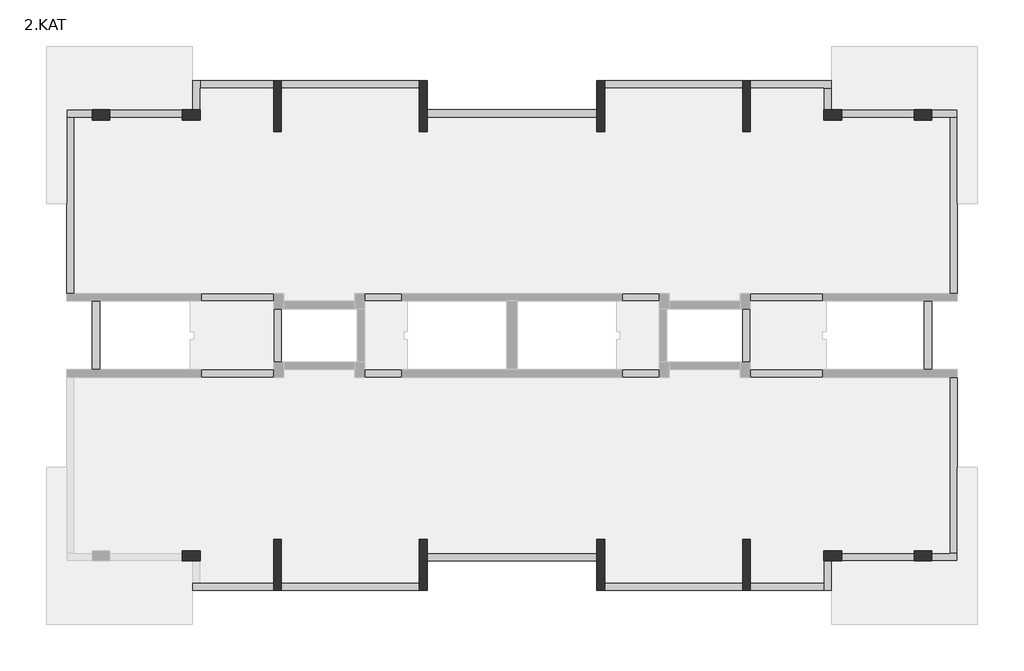
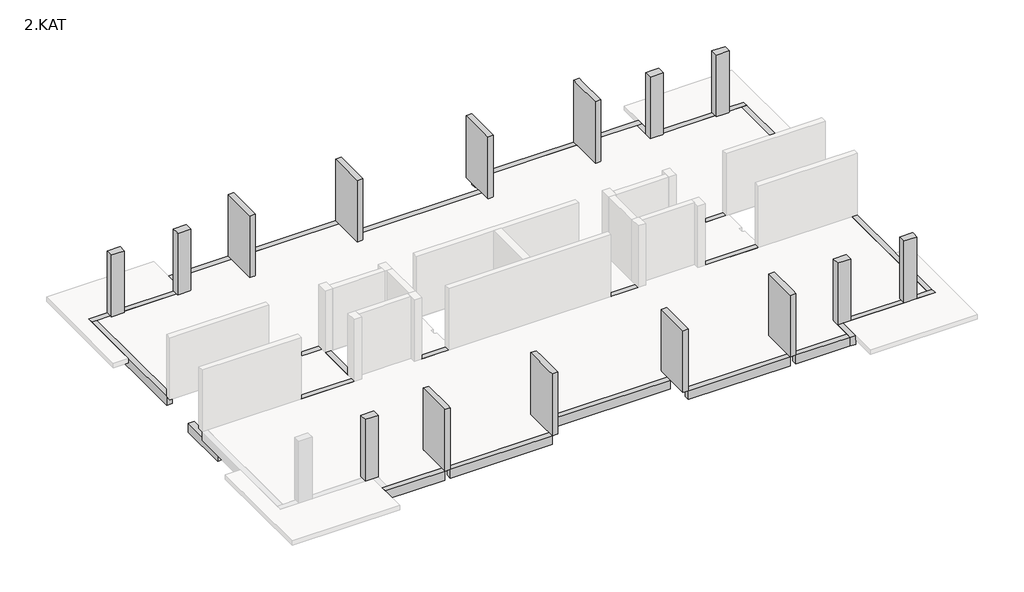
# One storey, part 2 of 2: 34 beams, 15 columns.
"""IFC4 building model written with IfcOpenShell, lengths in millimetres."""

from ifc_helpers import new_model, si_unit, frame, origin, place, context, project, spatial, polyline, outline, extrude, faceted_brep, element, save

model = new_model("IFC4")

# Units and contexts
model_context = context("Model", 3, world=origin())
ifc_project = project(units=[si_unit("LENGTHUNIT", "METRE", prefix="MILLI")], contexts=[model_context])

# Site, building, storey
site = spatial("IfcSite", under=ifc_project)
building = spatial("IfcBuilding", under=site)
storey = spatial("IfcBuildingStorey", under=building, Name="2.KAT", Elevation=6500.0)

# Beams
placement = place(None, origin())
element("IfcBeam", 1, ObjectType="0300x0500mm", at=placement, inside=storey, context=model_context, shape_type="SweptSolid", body=[
    extrude(outline(polyline([(-3363.9153603, 12013.7202154), (-3363.9153603, 11713.7202154), (-8813.9168166, 11713.7202154), (-8813.9168166, 12013.7202154), (-3363.9153603, 12013.7202154)])), frame((0.0, 0.0, 6000.0), z_axis=(0.0, 0.0, 1.0), x_axis=(1.0, 0.0, 0.0)), (0.0, 0.0, 1.0), 500.0),
])
element("IfcBeam", 2, ObjectType="0300x0500mm", at=placement, inside=storey, context=model_context, shape_type="Brep", body=[
    faceted_brep([(3636.085408, 10863.7380253, 6500.0), (-3063.9160613, 10863.7380253, 6500.0), (-3063.9160613, 10563.7380253, 6500.0), (3636.085408, 10563.7380253, 6500.0), (-3063.9160613, 10563.7380253, 6250.0), (-3063.9160613, 10563.7380253, 6000.0), (3636.085408, 10563.7380253, 6000.0), (3636.085408, 10563.7380253, 6250.0), (-3063.9160613, 10863.7380253, 6000.0), (3636.085408, 10863.7380253, 6000.0)], [[[0, 1, 2, 3]], [[3, 2, 4, 5, 6, 7]], [[6, 5, 8, 9]], [[1, 0, 9, 8]], [[1, 8, 5, 4, 2]], [[0, 3, 7, 6, 9]]]),
])
element("IfcBeam", 3, ObjectType="0300x0500mm", at=placement, inside=storey, context=model_context, shape_type="SweptSolid", body=[
    extrude(outline(polyline([(9386.0205348, 12013.7202154), (9386.0205348, 11713.7202154), (3936.0190785, 11713.7202154), (3936.0190785, 12013.7202154), (9386.0205348, 12013.7202154)])), frame((0.0, 0.0, 6000.0), z_axis=(0.0, 0.0, 1.0), x_axis=(1.0, 0.0, 0.0)), (0.0, 0.0, 1.0), 500.0),
])
element("IfcBeam", 4, ObjectType="0300x0500mm", at=placement, inside=storey, context=model_context, shape_type="Brep", body=[
    faceted_brep([(9686.0846432, 12013.7202154, 6500.0), (9686.0846432, 11713.7202154, 6500.0), (12586.0195429, 11713.7202154, 6500.0), (12886.0195429, 11713.7202154, 6500.0), (12886.0195429, 12013.7202154, 6500.0), (9686.0846432, 11713.7202154, 6000.0), (12586.0195429, 11713.7202154, 6000.0), (12886.0195429, 11713.7202154, 6000.0), (9686.0846432, 12013.7202154, 6000.0), (12886.0195429, 12013.7202154, 6000.0)], [[[0, 1, 2, 3, 4]], [[1, 5, 6, 7, 3, 2]], [[5, 8, 9, 7, 6]], [[8, 0, 4, 9]], [[4, 3, 7, 9]], [[0, 8, 5, 1]]]),
])
element("IfcBeam", 5, ObjectType="0300x0500mm", at=placement, inside=storey, context=model_context, shape_type="Brep", body=[
    faceted_brep([(12886.0195429, 10863.734431, 6500.0), (12886.0195429, 11713.7202154, 6500.0), (12586.0195429, 11713.7202154, 6500.0), (12586.0195429, 10863.734431, 6500.0), (12586.0195429, 11713.7202154, 6250.0), (12586.0195429, 11713.7202154, 6000.0), (12586.0195429, 10863.734431, 6000.0), (12586.0195429, 10863.734431, 6250.0), (12886.0195429, 11713.7202154, 6000.0), (12886.0195429, 10863.734431, 6000.0)], [[[0, 1, 2, 3]], [[3, 2, 4, 5, 6, 7]], [[6, 5, 8, 9]], [[1, 0, 9, 8]], [[2, 1, 8, 5, 4]], [[0, 3, 7, 6, 9]]]),
])
element("IfcBeam", 6, ObjectType="0300x0500mm", at=placement, inside=storey, context=model_context, shape_type="Brep", body=[
    faceted_brep([(16136.0518591, 10863.7341752, 6500.0), (13286.0518591, 10863.7341752, 6500.0), (13286.0518591, 10563.7341752, 6500.0), (16136.0518591, 10563.7341752, 6500.0), (13286.0518591, 10563.7341752, 6250.0), (13286.0518591, 10563.7341752, 6000.0), (16136.0518591, 10563.7341752, 6000.0), (16136.0518591, 10563.7341752, 6250.0), (13286.0518591, 10863.7341752, 6000.0), (16136.0518591, 10863.7341752, 6000.0), (16136.0518591, 10863.7341752, 6250.0), (13286.0518591, 10863.7341752, 6250.0)], [[[0, 1, 2, 3]], [[3, 2, 4, 5, 6, 7]], [[6, 5, 8, 9]], [[1, 0, 10, 9, 8, 11]], [[0, 3, 7, 6, 9, 10]], [[8, 5, 4, 2, 1, 11]]]),
])
element("IfcBeam", 7, ObjectType="0300x0500mm", at=placement, inside=storey, context=model_context, shape_type="Brep", body=[
    faceted_brep([(17836.0513856, 10863.7341752, 6500.0), (16836.0513856, 10863.7341752, 6500.0), (16836.0513856, 10563.7341752, 6500.0), (17536.0197797, 10563.7341752, 6500.0), (17836.0513856, 10563.7341752, 6500.0), (16836.0513856, 10563.7341752, 6000.0), (17536.0513856, 10563.7341752, 6000.0), (17836.0513856, 10563.7341752, 6000.0), (17836.0513856, 10563.7341752, 6250.0), (16836.0513856, 10563.7341752, 6250.0), (16836.0513856, 10863.7341752, 6000.0), (17836.0513856, 10863.7341752, 6000.0), (17836.0513856, 10863.7341752, 6250.0), (16836.0513856, 10863.7341752, 6250.0)], [[[0, 1, 2, 3, 4]], [[5, 6, 7, 8, 4, 3, 2, 9]], [[7, 6, 5, 10, 11]], [[1, 0, 12, 11, 10, 13]], [[0, 4, 8, 7, 11, 12]], [[10, 5, 9, 2, 1, 13]]]),
])
element("IfcBeam", 8, ObjectType="0300x0500mm", at=placement, inside=storey, context=model_context, shape_type="Brep", body=[
    faceted_brep([(17836.0513856, 3613.7341795, 6500.0), (17536.0513856, 3613.7341795, 6500.0), (17536.0513856, 3613.7341795, 6000.0), (17836.0513856, 3613.7341795, 6000.0), (17836.0513856, 7163.7341979, 6500.0), (17836.0513856, 10563.7341752, 6500.0), (17536.0513856, 10563.7341752, 6500.0), (17536.0513856, 10563.7341752, 6000.0), (17836.0513856, 10563.7341752, 6000.0), (17836.0513856, 10563.7341752, 6250.0)], [[[0, 1, 2, 3]], [[1, 0, 4, 5, 6]], [[2, 1, 6, 7]], [[3, 2, 7, 8]], [[0, 3, 8, 9, 5, 4]], [[6, 5, 9, 8, 7]]]),
])
element("IfcBeam", 9, ObjectType="0300x0500mm", at=placement, inside=storey, context=model_context, shape_type="SweptSolid", body=[
    extrude(outline(polyline([(16836.0513856, 613.7342048), (16536.0513856, 613.7342048), (16536.0513856, 3313.7341837), (16836.0513856, 3313.7341837), (16836.0513856, 613.7342048)])), frame((0.0, 0.0, 4300.0), z_axis=(0.0, 0.0, 1.0), x_axis=(1.0, 0.0, 0.0)), (0.0, 0.0, 1.0), 500.0),
])
element("IfcBeam", 10, ObjectType="0300x0500mm", at=placement, inside=storey, context=model_context, shape_type="Brep", body=[
    faceted_brep([(16836.0222612, -6636.2658004, 6500.0), (16836.0222612, -6936.2658004, 6500.0), (17836.0513856, -6936.2658004, 6500.0), (17836.0513856, -6636.2658004, 6500.0), (17536.0197797, -6636.2658004, 6500.0), (16836.0222612, -6636.2658004, 6000.0), (16836.0222612, -6636.2658004, 6250.0), (17836.0513856, -6636.2658004, 6250.0), (17836.0513856, -6636.2658004, 6000.0), (17536.0513856, -6636.2658004, 6000.0), (16836.0222612, -6936.2658004, 6000.0), (17836.0513856, -6936.2658004, 6000.0), (16836.0222612, -6936.2658004, 6250.0), (17836.0513856, -6936.2658004, 6250.0)], [[[0, 1, 2, 3, 4]], [[5, 6, 0, 4, 3, 7, 8, 9]], [[10, 5, 9, 8, 11]], [[2, 1, 12, 10, 11, 13]], [[1, 0, 6, 5, 10, 12]], [[3, 2, 13, 11, 8, 7]]]),
])
element("IfcBeam", 11, ObjectType="0300x0500mm", at=placement, inside=storey, context=model_context, shape_type="Brep", body=[
    faceted_brep([(13286.0518591, -6936.2658004, 6500.0), (16136.0518591, -6936.2658004, 6500.0), (16136.0518591, -6636.2658004, 6500.0), (13286.0518591, -6636.2658004, 6500.0), (16136.0518591, -6636.2658004, 6250.0), (16136.0518591, -6636.2658004, 6000.0), (13286.0518591, -6636.2658004, 6000.0), (13286.0518591, -6636.2658004, 6250.0), (16136.0518591, -6936.2658004, 6000.0), (13286.0518591, -6936.2658004, 6000.0), (13286.0518591, -6936.2658004, 6250.0), (16136.0518591, -6936.2658004, 6250.0)], [[[0, 1, 2, 3]], [[3, 2, 4, 5, 6, 7]], [[6, 5, 8, 9]], [[1, 0, 10, 9, 8, 11]], [[0, 3, 7, 6, 9, 10]], [[8, 5, 4, 2, 1, 11]]]),
])
element("IfcBeam", 12, ObjectType="0300x0500mm", at=placement, inside=storey, context=model_context, shape_type="Brep", body=[
    faceted_brep([(12886.0195429, -8086.2529125, 6500.0), (12886.0195429, -6936.2657952, 6500.0), (12586.0195429, -6936.2657952, 6500.0), (12586.0195429, -7786.2657952, 6500.0), (12586.0195429, -8086.2529125, 6500.0), (12586.0195429, -6936.2657952, 6000.0), (12586.0195429, -7786.2529125, 6000.0), (12586.0195429, -8086.2529125, 6000.0), (12586.0195429, -6936.2657952, 6250.0), (12886.0195429, -6936.2657952, 6000.0), (12886.0195429, -8086.2529125, 6000.0)], [[[0, 1, 2, 3, 4]], [[5, 6, 7, 4, 3, 2, 8]], [[7, 6, 5, 9, 10]], [[1, 0, 10, 9]], [[0, 4, 7, 10]], [[1, 9, 5, 8, 2]]]),
])
element("IfcBeam", 13, ObjectType="0300x0500mm", at=placement, inside=storey, context=model_context, shape_type="SweptSolid", body=[
    extrude(outline(polyline([(9686.0196057, -8086.2529125), (9686.0196057, -7786.2529125), (12586.0195429, -7786.2529125), (12586.0195429, -8086.2529125), (9686.0196057, -8086.2529125)])), frame((0.0, 0.0, 6000.0), z_axis=(0.0, 0.0, 1.0), x_axis=(1.0, 0.0, 0.0)), (0.0, 0.0, 1.0), 500.0),
])
element("IfcBeam", 14, ObjectType="0300x0500mm", at=placement, inside=storey, context=model_context, shape_type="Brep", body=[
    faceted_brep([(3936.0846397, -7786.2529125, 6500.0), (3936.0846397, -8086.2529125, 6500.0), (9386.0846432, -8086.2529125, 6500.0), (9386.0846432, -7786.2529125, 6500.0), (3936.0846397, -7786.2529125, 6000.0), (3936.0846397, -7786.2529125, 6250.0), (9386.0846432, -7786.2529125, 6000.0), (3936.0846397, -8086.2529125, 6000.0), (9386.0846432, -8086.2529125, 6000.0)], [[[0, 1, 2, 3]], [[4, 5, 0, 3, 6]], [[7, 4, 6, 8]], [[1, 7, 8, 2]], [[2, 8, 6, 3]], [[1, 0, 5, 4, 7]]]),
])
element("IfcBeam", 15, ObjectType="0300x0500mm", at=placement, inside=storey, context=model_context, shape_type="Brep", body=[
    faceted_brep([(-3063.9160613, -6936.2657952, 6500.0), (3636.085408, -6936.2657952, 6500.0), (3636.085408, -6636.2657952, 6500.0), (-3063.9160613, -6636.2657952, 6500.0), (3636.085408, -6636.2657952, 6250.0), (3636.085408, -6636.2657952, 6000.0), (-3063.9160613, -6636.2657952, 6000.0), (-3063.9160613, -6636.2657952, 6250.0), (3636.085408, -6936.2657952, 6000.0), (-3063.9160613, -6936.2657952, 6000.0)], [[[0, 1, 2, 3]], [[3, 2, 4, 5, 6, 7]], [[6, 5, 8, 9]], [[1, 0, 9, 8]], [[0, 3, 7, 6, 9]], [[1, 8, 5, 4, 2]]]),
])
element("IfcBeam", 16, ObjectType="0300x0500mm", at=placement, inside=storey, context=model_context, shape_type="SweptSolid", body=[
    extrude(outline(polyline([(-8813.9160482, -8086.2657952), (-8813.9160482, -7786.2657952), (-3363.9145919, -7786.2657952), (-3363.9145919, -8086.2657952), (-8813.9160482, -8086.2657952)])), frame((0.0, 0.0, 6000.0), z_axis=(0.0, 0.0, 1.0), x_axis=(1.0, 0.0, 0.0)), (0.0, 0.0, 1.0), 500.0),
])
element("IfcBeam", 17, ObjectType="0300x0500mm", at=placement, inside=storey, context=model_context, shape_type="Brep", body=[
    faceted_brep([(-9113.9486144, -8086.2657952, 6500.0), (-9113.9486144, -7786.2657952, 6500.0), (-12013.9158247, -7786.2657952, 6500.0), (-12313.9158247, -7786.2657952, 6500.0), (-12313.9158247, -8086.2657952, 6500.0), (-9113.9486144, -7786.2657952, 6250.0), (-9113.9486144, -7786.2657952, 6000.0), (-12013.9158247, -7786.2657952, 6000.0), (-12313.9158247, -7786.2657952, 6000.0), (-9113.9486144, -8086.2657952, 6000.0), (-12313.9158247, -8086.2657952, 6000.0)], [[[0, 1, 2, 3, 4]], [[1, 5, 6, 7, 8, 3, 2]], [[6, 9, 10, 8, 7]], [[9, 0, 4, 10]], [[4, 3, 8, 10]], [[0, 9, 6, 5, 1]]]),
])
element("IfcBeam", 18, ObjectType="0300x0500mm", at=placement, inside=storey, context=model_context, shape_type="SweptSolid", body=[
    extrude(outline(polyline([(-16263.9481409, 3313.7341847), (-15963.9481409, 3313.7341847), (-15963.9481409, 613.7341847), (-16263.9481409, 613.7341847), (-16263.9481409, 3313.7341847)])), frame((0.0, 0.0, 4300.0), z_axis=(0.0, 0.0, 1.0), x_axis=(1.0, 0.0, 0.0)), (0.0, 0.0, 1.0), 500.0),
])
element("IfcBeam", 19, ObjectType="0300x0500mm", at=placement, inside=storey, context=model_context, shape_type="Brep", body=[
    faceted_brep([(-16263.9143553, 10563.7341837, 6500.0), (-16263.9143553, 10863.7341837, 6500.0), (-17263.9481409, 10863.7341837, 6500.0), (-17263.9481409, 10563.7341837, 6500.0), (-16963.9481409, 10563.7341837, 6500.0), (-16263.9143553, 10863.7341837, 6250.0), (-16263.9143553, 10863.7341837, 6000.0), (-17263.9481409, 10863.7341837, 6000.0), (-17263.9481409, 10863.7341837, 6250.0), (-16263.9143553, 10563.7341837, 6000.0), (-16963.9481409, 10563.7341837, 6000.0), (-17263.9481409, 10563.7341837, 6000.0), (-16263.9143553, 10563.7341837, 6250.0), (-17263.9481409, 10563.7341837, 6250.0)], [[[0, 1, 2, 3, 4]], [[2, 1, 5, 6, 7, 8]], [[6, 9, 10, 11, 7]], [[9, 12, 0, 4, 3, 13, 11, 10]], [[9, 6, 5, 1, 0, 12]], [[3, 2, 8, 7, 11, 13]]]),
])
element("IfcBeam", 20, ObjectType="0300x0500mm", at=placement, inside=storey, context=model_context, shape_type="Brep", body=[
    faceted_brep([(-12713.9143553, 10863.7341752, 6500.0), (-15563.9158246, 10863.7341752, 6500.0), (-15563.9158246, 10563.7341752, 6500.0), (-12713.9143553, 10563.7341752, 6500.0), (-15563.9158246, 10563.7341752, 6250.0), (-15563.9158246, 10563.7341752, 6000.0), (-12713.9143553, 10563.7341752, 6000.0), (-12713.9143553, 10563.7341752, 6250.0), (-15563.9158246, 10863.7341752, 6000.0), (-12713.9143553, 10863.7341752, 6000.0), (-12713.9143553, 10863.7341752, 6250.0), (-15563.9158246, 10863.7341752, 6250.0)], [[[0, 1, 2, 3]], [[3, 2, 4, 5, 6, 7]], [[6, 5, 8, 9]], [[1, 0, 10, 9, 8, 11]], [[0, 3, 7, 6, 9, 10]], [[8, 5, 4, 2, 1, 11]]]),
])
element("IfcBeam", 21, ObjectType="0300x0500mm", at=placement, inside=storey, context=model_context, shape_type="Brep", body=[
    faceted_brep([(-12313.9158247, 10863.7341752, 6500.0), (-12013.9158247, 10863.7341752, 6500.0), (-12013.9158247, 11713.7202154, 6500.0), (-12013.9158247, 12013.7202154, 6500.0), (-12313.9158247, 12013.7202154, 6500.0), (-12013.9158247, 10863.7341752, 6000.0), (-12013.9158247, 11713.7202154, 6000.0), (-12013.9158247, 12013.7202154, 6000.0), (-12013.9158247, 10863.7341752, 6250.0), (-12313.9158247, 10863.7341752, 6000.0), (-12313.9158247, 12013.7202154, 6000.0)], [[[0, 1, 2, 3, 4]], [[5, 6, 7, 3, 2, 1, 8]], [[5, 9, 10, 7, 6]], [[9, 0, 4, 10]], [[0, 9, 5, 8, 1]], [[4, 3, 7, 10]]]),
])
element("IfcBeam", 22, ObjectType="0300x0500mm", at=placement, inside=storey, context=model_context, shape_type="SweptSolid", body=[
    extrude(outline(polyline([(-9114.4483776, 3613.7341847), (-9114.4483776, 3313.7341847), (-11963.4483776, 3313.7341847), (-11963.4483776, 3613.7341847), (-9114.4483776, 3613.7341847)])), frame((0.0, 0.0, 6000.0), z_axis=(0.0, 0.0, 1.0), x_axis=(1.0, 0.0, 0.0)), (0.0, 0.0, 1.0), 500.0),
])
element("IfcBeam", 23, ObjectType="0300x0500mm", at=placement, inside=storey, context=model_context, shape_type="SweptSolid", body=[
    extrude(outline(polyline([(-9114.4483776, 613.7341847), (-9114.4483776, 313.7341847), (-11963.4483776, 313.7341847), (-11963.4483776, 613.7341847), (-9114.4483776, 613.7341847)])), frame((0.0, 0.0, 6000.0), z_axis=(0.0, 0.0, 1.0), x_axis=(1.0, 0.0, 0.0)), (0.0, 0.0, 1.0), 500.0),
])
element("IfcBeam", 24, ObjectType="0300x0500mm", at=placement, inside=storey, context=model_context, shape_type="SweptSolid", body=[
    extrude(outline(polyline([(-8813.9486144, 913.7387772), (-9113.9486144, 913.7387772), (-9113.9486144, 3013.7387772), (-8813.9486144, 3013.7387772), (-8813.9486144, 913.7387772)])), frame((0.0, 0.0, 6000.0), z_axis=(0.0, 0.0, 1.0), x_axis=(1.0, 0.0, 0.0)), (0.0, 0.0, 1.0), 500.0),
])
element("IfcBeam", 25, ObjectType="0300x0500mm", at=placement, inside=storey, context=model_context, shape_type="SweptSolid", body=[
    extrude(outline(polyline([(-5513.9486144, 3313.7352433), (-5513.9486144, 3613.7352433), (-4064.9486144, 3613.7352433), (-4064.9486144, 3313.7352433), (-5513.9486144, 3313.7352433)])), frame((0.0, 0.0, 6000.0), z_axis=(0.0, 0.0, 1.0), x_axis=(1.0, 0.0, 0.0)), (0.0, 0.0, 1.0), 500.0),
])
element("IfcBeam", 26, ObjectType="0300x0500mm", at=placement, inside=storey, context=model_context, shape_type="SweptSolid", body=[
    extrude(outline(polyline([(-5513.9486144, 313.7381043), (-5513.9486144, 613.7381043), (-4064.9486144, 613.7381043), (-4064.9486144, 313.7381043), (-5513.9486144, 313.7381043)])), frame((0.0, 0.0, 6000.0), z_axis=(0.0, 0.0, 1.0), x_axis=(1.0, 0.0, 0.0)), (0.0, 0.0, 1.0), 500.0),
])
element("IfcBeam", 27, ObjectType="0300x0500mm", at=placement, inside=storey, context=model_context, shape_type="SweptSolid", body=[
    extrude(outline(polyline([(6085.5514079, 3613.7352433), (6085.5514079, 3313.7352433), (4636.5514079, 3313.7352433), (4636.5514079, 3613.7352433), (6085.5514079, 3613.7352433)])), frame((0.0, 0.0, 6000.0), z_axis=(0.0, 0.0, 1.0), x_axis=(1.0, 0.0, 0.0)), (0.0, 0.0, 1.0), 500.0),
])
element("IfcBeam", 28, ObjectType="0300x0500mm", at=placement, inside=storey, context=model_context, shape_type="SweptSolid", body=[
    extrude(outline(polyline([(6085.5514079, 613.7381043), (6085.5514079, 313.7381043), (4636.5514079, 313.7381043), (4636.5514079, 613.7381043), (6085.5514079, 613.7381043)])), frame((0.0, 0.0, 6000.0), z_axis=(0.0, 0.0, 1.0), x_axis=(1.0, 0.0, 0.0)), (0.0, 0.0, 1.0), 500.0),
])
element("IfcBeam", 29, ObjectType="0300x0500mm", at=placement, inside=storey, context=model_context, shape_type="SweptSolid", body=[
    extrude(outline(polyline([(9686.0680129, 313.7341847), (9686.0680129, 613.7341847), (12536.0680129, 613.7341847), (12536.0680129, 313.7341847), (9686.0680129, 313.7341847)])), frame((0.0, 0.0, 6000.0), z_axis=(0.0, 0.0, 1.0), x_axis=(1.0, 0.0, 0.0)), (0.0, 0.0, 1.0), 500.0),
])
element("IfcBeam", 30, ObjectType="0300x0500mm", at=placement, inside=storey, context=model_context, shape_type="SweptSolid", body=[
    extrude(outline(polyline([(9686.0513856, 3313.7341847), (9686.0513856, 3613.7341847), (12536.0513856, 3613.7341847), (12536.0513856, 3313.7341847), (9686.0513856, 3313.7341847)])), frame((0.0, 0.0, 6000.0), z_axis=(0.0, 0.0, 1.0), x_axis=(1.0, 0.0, 0.0)), (0.0, 0.0, 1.0), 500.0),
])
element("IfcBeam", 31, ObjectType="0300x0500mm", at=placement, inside=storey, context=model_context, shape_type="SweptSolid", body=[
    extrude(outline(polyline([(9686.0513856, 914.2298782), (9386.0513856, 914.2298782), (9386.0513856, 3013.2298782), (9686.0513856, 3013.2298782), (9686.0513856, 914.2298782)])), frame((0.0, 0.0, 6000.0), z_axis=(0.0, 0.0, 1.0), x_axis=(1.0, 0.0, 0.0)), (0.0, 0.0, 1.0), 500.0),
])
element("IfcBeam", 32, ObjectType="0300x0500mm", at=placement, inside=storey, context=model_context, shape_type="Brep", body=[
    faceted_brep([(-9113.9486144, 11713.7202154, 6500.0), (-9113.9486144, 12013.7202154, 6500.0), (-12013.9158247, 12013.7202154, 6500.0), (-12013.9158247, 11713.7202154, 6500.0), (-9113.9486144, 12013.7202154, 6000.0), (-12013.9158247, 12013.7202154, 6000.0), (-9113.9486144, 11713.7202154, 6000.0), (-12013.9158247, 11713.7202154, 6000.0), (-9113.9486144, 11713.7202154, 6250.0)], [[[0, 1, 2, 3]], [[1, 4, 5, 2]], [[4, 6, 7, 5]], [[6, 8, 0, 3, 7]], [[0, 8, 6, 4, 1]], [[3, 2, 5, 7]]]),
])
element("IfcBeam", 33, ObjectType="0300x0500mm", at=placement, inside=storey, context=model_context, shape_type="Brep", body=[
    faceted_brep([(-16963.9481409, 3613.7341837, 6500.0), (-17263.9481409, 3613.7341837, 6500.0), (-17263.9481409, 3613.7341837, 6000.0), (-16963.9481409, 3613.7341837, 6000.0), (-16963.9481409, 3613.7341837, 6250.0), (-16963.9481409, 10563.7341837, 6500.0), (-16963.9481409, 10563.7341837, 6000.0), (-17263.9481409, 10563.7341837, 6000.0), (-17263.9481409, 10563.7341837, 6250.0), (-17263.9481409, 10563.7341837, 6500.0), (-17263.9481409, 7163.7341979, 6500.0)], [[[0, 1, 2, 3, 4]], [[5, 6, 7, 8, 9]], [[1, 0, 5, 9, 10]], [[2, 1, 10, 9, 8, 7]], [[3, 2, 7, 6]], [[0, 4, 3, 6, 5]]]),
])
element("IfcBeam", 34, ObjectType="0300x0500mm", at=placement, inside=storey, context=model_context, shape_type="Brep", body=[
    faceted_brep([(17536.0513856, 313.7342022, 6500.0), (17836.0513856, 313.7342022, 6500.0), (17836.0513856, 313.7342022, 6000.0), (17536.0513856, 313.7342022, 6000.0), (17536.0513856, -6636.2658004, 6500.0), (17836.0513856, -6636.2658004, 6500.0), (17836.0513856, -3236.2658285, 6500.0), (17836.0513856, -6636.2658004, 6250.0), (17836.0513856, -6636.2658004, 6000.0), (17536.0513856, -6636.2658004, 6000.0), (17536.0513856, -6636.2658004, 6250.0)], [[[0, 1, 2, 3]], [[1, 0, 4, 5, 6]], [[2, 1, 6, 5, 7, 8]], [[3, 2, 8, 9]], [[0, 3, 9, 10, 4]], [[5, 4, 10, 9, 8, 7]]]),
])

# Columns
element("IfcColumn", 35, ObjectType="0700x0400mm", at=placement, inside=storey, context=model_context, shape_type="Brep", body=[
    faceted_brep([(-12013.9481409, 10863.7341838, 6500.0), (-12013.9481409, 10463.7341838, 6500.0), (-12713.9481409, 10463.7341838, 6500.0), (-12713.9481409, 10863.7341838, 6500.0), (-12013.9481409, 10863.7341838, 9750.0), (-12013.9481409, 10863.7341838, 10000.0), (-12013.9481409, 10463.7341838, 10000.0), (-12013.9481409, 10463.7341838, 9750.0), (-12713.9481409, 10463.7341838, 10000.0), (-12713.9481409, 10463.7341838, 9750.0), (-12713.9481409, 10563.7341698, 10000.0), (-12713.9481409, 10863.7341838, 10000.0)], [[[0, 1, 2, 3]], [[1, 0, 4, 5, 6, 7]], [[2, 1, 7, 6, 8, 9]], [[3, 2, 9, 8, 10, 11]], [[0, 3, 11, 5, 4]], [[6, 5, 11, 10, 8]]]),
])
element("IfcColumn", 36, ObjectType="0700x0400mm", at=placement, inside=storey, context=model_context, shape_type="Brep", body=[
    faceted_brep([(-15563.9481409, 10863.7341838, 6500.0), (-15563.9481409, 10463.7341838, 6500.0), (-16263.9481409, 10463.7341838, 6500.0), (-16263.9481409, 10863.7341838, 6500.0), (-15563.9481409, 10863.7341838, 10000.0), (-15563.9481409, 10563.7341698, 10000.0), (-15563.9481409, 10463.7341838, 10000.0), (-15563.9481409, 10463.7341838, 9750.0), (-16263.9481409, 10463.7341838, 10000.0), (-16263.9481409, 10463.7341838, 9750.0), (-16263.9481409, 10563.7341698, 10000.0), (-16263.9481409, 10863.7341838, 10000.0)], [[[0, 1, 2, 3]], [[1, 0, 4, 5, 6, 7]], [[2, 1, 7, 6, 8, 9]], [[3, 2, 9, 8, 10, 11]], [[0, 3, 11, 4]], [[8, 6, 5, 4, 11, 10]]]),
])
element("IfcColumn", 37, ObjectType="0700x0400mm", at=placement, inside=storey, context=model_context, shape_type="Brep", body=[
    faceted_brep([(-12013.9481409, -6536.2657952, 6500.0), (-12013.9481409, -6936.2657952, 6500.0), (-12713.9481409, -6936.2657952, 6500.0), (-12713.9481409, -6536.2657952, 6500.0), (-12013.9481409, -6536.2657952, 9750.0), (-12013.9481409, -6536.2657952, 10000.0), (-12013.9481409, -6936.2657952, 10000.0), (-12013.9481409, -6936.2657952, 9750.0), (-12713.9481409, -6936.2657952, 10000.0), (-12713.9481409, -6636.2657952, 10000.0), (-12713.9481409, -6536.2657952, 10000.0), (-12713.9481409, -6536.2657952, 9750.0)], [[[0, 1, 2, 3]], [[1, 0, 4, 5, 6, 7]], [[2, 1, 7, 6, 8]], [[3, 2, 8, 9, 10, 11]], [[0, 3, 11, 10, 5, 4]], [[6, 5, 10, 9, 8]]]),
])
element("IfcColumn", 38, ObjectType="0700x0400mm", at=placement, inside=storey, context=model_context, shape_type="Brep", body=[
    faceted_brep([(13286.0513856, -6536.2657952, 6500.0), (13286.0513856, -6936.2657952, 6500.0), (12586.0513856, -6936.2657952, 6500.0), (12586.0513856, -6536.2657952, 6500.0), (13286.0513856, -6536.2657952, 9750.0), (13286.0513856, -6536.2657952, 10000.0), (13286.0513856, -6636.2658004, 10000.0), (13286.0513856, -6936.2657952, 10000.0), (12586.0513856, -6936.2657952, 10000.0), (12586.0513856, -6936.2657952, 9750.0), (12586.0513856, -6536.2657952, 10000.0), (12586.0513856, -6536.2657952, 9750.0)], [[[0, 1, 2, 3]], [[1, 0, 4, 5, 6, 7]], [[2, 1, 7, 8, 9]], [[3, 2, 9, 8, 10, 11]], [[0, 3, 11, 10, 5, 4]], [[8, 7, 6, 5, 10]]]),
])
element("IfcColumn", 39, ObjectType="0700x0400mm", at=placement, inside=storey, context=model_context, shape_type="Brep", body=[
    faceted_brep([(16836.0513856, -6536.2657952, 6500.0), (16836.0513856, -6936.2657952, 6500.0), (16136.0513856, -6936.2657952, 6500.0), (16136.0513856, -6536.2657952, 6500.0), (16836.0513856, -6536.2657952, 9750.0), (16836.0513856, -6536.2657952, 10000.0), (16836.0513856, -6636.2658004, 10000.0), (16836.0513856, -6936.2657952, 10000.0), (16136.0513856, -6936.2657952, 10000.0), (16136.0513856, -6636.2658004, 10000.0), (16136.0513856, -6536.2657952, 10000.0), (16136.0513856, -6536.2657952, 9750.0)], [[[0, 1, 2, 3]], [[1, 0, 4, 5, 6, 7]], [[2, 1, 7, 8]], [[3, 2, 8, 9, 10, 11]], [[0, 3, 11, 10, 5, 4]], [[8, 7, 6, 5, 10, 9]]]),
])
element("IfcColumn", 40, ObjectType="0700x0400mm", at=placement, inside=storey, context=model_context, shape_type="Brep", body=[
    faceted_brep([(16836.0513856, 10863.7341838, 6500.0), (16836.0513856, 10463.7341838, 6500.0), (16136.0513856, 10463.7341838, 6500.0), (16136.0513856, 10863.7341838, 6500.0), (16836.0513856, 10863.7341838, 9750.0), (16836.0513856, 10863.7341838, 10000.0), (16836.0513856, 10563.7341837, 10000.0), (16836.0513856, 10463.7341838, 10000.0), (16836.0513856, 10463.7341838, 9750.0), (16136.0513856, 10463.7341838, 10000.0), (16136.0513856, 10463.7341838, 9750.0), (16136.0513856, 10563.7341837, 10000.0), (16136.0513856, 10863.7341838, 10000.0), (16136.0513856, 10863.7341838, 9750.0)], [[[0, 1, 2, 3]], [[1, 0, 4, 5, 6, 7, 8]], [[2, 1, 8, 7, 9, 10]], [[3, 2, 10, 9, 11, 12, 13]], [[0, 3, 13, 12, 5, 4]], [[9, 7, 6, 5, 12, 11]]]),
])
element("IfcColumn", 41, ObjectType="0700x0400mm", at=placement, inside=storey, context=model_context, shape_type="Brep", body=[
    faceted_brep([(13286.0513856, 10863.7341838, 6500.0), (13286.0513856, 10463.7341838, 6500.0), (12586.0513856, 10463.7341838, 6500.0), (12586.0513856, 10863.7341838, 6500.0), (13286.0513856, 10863.7341838, 9750.0), (13286.0513856, 10863.7341838, 10000.0), (13286.0513856, 10563.7341837, 10000.0), (13286.0513856, 10463.7341838, 10000.0), (13286.0513856, 10463.7341838, 9750.0), (12586.0513856, 10463.7341838, 10000.0), (12586.0513856, 10463.7341838, 9750.0), (12586.0513856, 10863.7341838, 10000.0), (12586.0513856, 10863.7341838, 9750.0), (12886.0511489, 10863.7341838, 10000.0)], [[[0, 1, 2, 3]], [[1, 0, 4, 5, 6, 7, 8]], [[2, 1, 8, 7, 9, 10]], [[3, 2, 10, 9, 11, 12]], [[0, 3, 12, 11, 13, 5, 4]], [[9, 7, 6, 5, 13, 11]]]),
])
element("IfcColumn", 42, ObjectType="2000x0300mm", at=placement, inside=storey, context=model_context, shape_type="Brep", body=[
    faceted_brep([(-9113.9486144, 12013.7339375, 6500.0), (-8813.9486144, 12013.7339375, 6500.0), (-8813.9486144, 10013.7339375, 6500.0), (-9113.9486144, 10013.7339375, 6500.0), (-9113.9486144, 12013.7339375, 10000.0), (-8813.9486144, 12013.7339375, 10000.0), (-8813.9486144, 11713.7202154, 10000.0), (-8813.9486144, 10013.7339375, 10000.0), (-8813.9486144, 10013.7339375, 9750.0), (-9113.9486144, 10013.7339375, 10000.0), (-9113.9486144, 10013.7339375, 9750.0), (-9113.9486144, 11713.7202154, 10000.0)], [[[0, 1, 2, 3]], [[1, 0, 4, 5]], [[2, 1, 5, 6, 7, 8]], [[3, 2, 8, 7, 9, 10]], [[0, 3, 10, 9, 11, 4]], [[5, 4, 11, 9, 7, 6]]]),
])
element("IfcColumn", 43, ObjectType="2000x0300mm", at=placement, inside=storey, context=model_context, shape_type="Brep", body=[
    faceted_brep([(-3363.9486144, 12013.7339375, 6500.0), (-3063.9486144, 12013.7339375, 6500.0), (-3063.9486144, 10013.7339375, 6500.0), (-3363.9486144, 10013.7339375, 6500.0), (-3363.9486144, 12013.7339375, 10000.0), (-3063.9486144, 12013.7339375, 10000.0), (-3063.9486144, 10563.7341837, 10000.0), (-3063.9486144, 10013.7339375, 10000.0), (-3063.9486144, 10013.7339375, 9750.0), (-3363.9486144, 10013.7339375, 10000.0), (-3363.9486144, 10013.7339375, 9750.0), (-3363.9486144, 11713.7202154, 10000.0)], [[[0, 1, 2, 3]], [[1, 0, 4, 5]], [[2, 1, 5, 6, 7, 8]], [[3, 2, 8, 7, 9, 10]], [[0, 3, 10, 9, 11, 4]], [[5, 4, 11, 9, 7, 6]]]),
])
element("IfcColumn", 44, ObjectType="2000x0300mm", at=placement, inside=storey, context=model_context, shape_type="Brep", body=[
    faceted_brep([(9386.0513856, 12013.7339375, 6500.0), (9686.0513856, 12013.7339375, 6500.0), (9686.0513856, 10013.7339375, 6500.0), (9386.0513856, 10013.7339375, 6500.0), (9386.0513856, 12013.7339375, 10000.0), (9686.0513856, 12013.7339375, 10000.0), (9686.0513856, 11713.7202154, 10000.0), (9686.0513856, 10013.7339375, 10000.0), (9686.0513856, 10013.7339375, 9750.0), (9386.0513856, 10013.7339375, 10000.0), (9386.0513856, 10013.7339375, 9750.0), (9386.0513856, 11713.7202154, 10000.0)], [[[0, 1, 2, 3]], [[1, 0, 4, 5]], [[2, 1, 5, 6, 7, 8]], [[3, 2, 8, 7, 9, 10]], [[0, 3, 10, 9, 11, 4]], [[5, 4, 11, 9, 7, 6]]]),
])
element("IfcColumn", 45, ObjectType="2000x0300mm", at=placement, inside=storey, context=model_context, shape_type="Brep", body=[
    faceted_brep([(3636.0513856, 12013.7339375, 6500.0), (3936.0513856, 12013.7339375, 6500.0), (3936.0513856, 10013.7339375, 6500.0), (3636.0513856, 10013.7339375, 6500.0), (3636.0513856, 12013.7339375, 10000.0), (3936.0513856, 12013.7339375, 10000.0), (3936.0513856, 11713.7202154, 10000.0), (3936.0513856, 10013.7339375, 10000.0), (3936.0513856, 10013.7339375, 9750.0), (3636.0513856, 10013.7339375, 10000.0), (3636.0513856, 10013.7339375, 9750.0), (3636.0513856, 10563.7341837, 10000.0)], [[[0, 1, 2, 3]], [[1, 0, 4, 5]], [[2, 1, 5, 6, 7, 8]], [[3, 2, 8, 7, 9, 10]], [[0, 3, 10, 9, 11, 4]], [[5, 4, 11, 9, 7, 6]]]),
])
element("IfcColumn", 46, ObjectType="2000x0300mm", at=placement, inside=storey, context=model_context, shape_type="Brep", body=[
    faceted_brep([(-9113.9486144, -6086.2657952, 6500.0), (-8813.9486144, -6086.2657952, 6500.0), (-8813.9486144, -8086.2657952, 6500.0), (-9113.9486144, -8086.2657952, 6500.0), (-9113.9486144, -6086.2657952, 9750.0), (-9113.9486144, -6086.2657952, 10000.0), (-8813.9486144, -6086.2657952, 10000.0), (-8813.9486144, -6086.2657952, 9750.0), (-8813.9486144, -7786.2657952, 10000.0), (-8813.9486144, -8086.2657952, 10000.0), (-9113.9486144, -8086.2657952, 10000.0), (-9113.9486144, -7786.2657952, 10000.0)], [[[0, 1, 2, 3]], [[1, 0, 4, 5, 6, 7]], [[2, 1, 7, 6, 8, 9]], [[3, 2, 9, 10]], [[0, 3, 10, 11, 5, 4]], [[6, 5, 11, 10, 9, 8]]]),
])
element("IfcColumn", 47, ObjectType="2000x0300mm", at=placement, inside=storey, context=model_context, shape_type="Brep", body=[
    faceted_brep([(-3363.9486144, -6086.2657952, 6500.0), (-3063.9486144, -6086.2657952, 6500.0), (-3063.9486144, -8086.2657952, 6500.0), (-3363.9486144, -8086.2657952, 6500.0), (-3363.9486144, -6086.2657952, 9750.0), (-3363.9486144, -6086.2657952, 10000.0), (-3063.9486144, -6086.2657952, 10000.0), (-3063.9486144, -6086.2657952, 9750.0), (-3063.9486144, -6636.2657952, 10000.0), (-3063.9486144, -8086.2657952, 10000.0), (-3363.9486144, -8086.2657952, 10000.0), (-3363.9486144, -7786.2657952, 10000.0)], [[[0, 1, 2, 3]], [[1, 0, 4, 5, 6, 7]], [[2, 1, 7, 6, 8, 9]], [[3, 2, 9, 10]], [[0, 3, 10, 11, 5, 4]], [[6, 5, 11, 10, 9, 8]]]),
])
element("IfcColumn", 48, ObjectType="2000x0300mm", at=placement, inside=storey, context=model_context, shape_type="Brep", body=[
    faceted_brep([(9386.0513856, -6086.2657952, 6500.0), (9686.0513856, -6086.2657952, 6500.0), (9686.0513856, -8086.2657952, 6500.0), (9386.0513856, -8086.2657952, 6500.0), (9386.0513856, -6086.2657952, 9750.0), (9386.0513856, -6086.2657952, 10000.0), (9686.0513856, -6086.2657952, 10000.0), (9686.0513856, -6086.2657952, 9750.0), (9686.0513856, -7786.2657952, 10000.0), (9686.0513856, -8086.2657952, 10000.0), (9386.0513856, -8086.2657952, 10000.0), (9386.0513856, -7786.2657952, 10000.0)], [[[0, 1, 2, 3]], [[1, 0, 4, 5, 6, 7]], [[2, 1, 7, 6, 8, 9]], [[3, 2, 9, 10]], [[0, 3, 10, 11, 5, 4]], [[6, 5, 11, 10, 9, 8]]]),
])
element("IfcColumn", 49, ObjectType="2000x0300mm", at=placement, inside=storey, context=model_context, shape_type="Brep", body=[
    faceted_brep([(3636.0513856, -6086.2657952, 6500.0), (3936.0513856, -6086.2657952, 6500.0), (3936.0513856, -8086.2657952, 6500.0), (3636.0513856, -8086.2657952, 6500.0), (3636.0513856, -6086.2657952, 9750.0), (3636.0513856, -6086.2657952, 10000.0), (3936.0513856, -6086.2657952, 10000.0), (3936.0513856, -6086.2657952, 9750.0), (3936.0513856, -7786.2657952, 10000.0), (3936.0513856, -8086.2657952, 10000.0), (3636.0513856, -8086.2657952, 10000.0), (3636.0513856, -6636.2657952, 10000.0)], [[[0, 1, 2, 3]], [[1, 0, 4, 5, 6, 7]], [[2, 1, 7, 6, 8, 9]], [[3, 2, 9, 10]], [[0, 3, 10, 11, 5, 4]], [[6, 5, 11, 10, 9, 8]]]),
])

save(model, "model.ifc")
